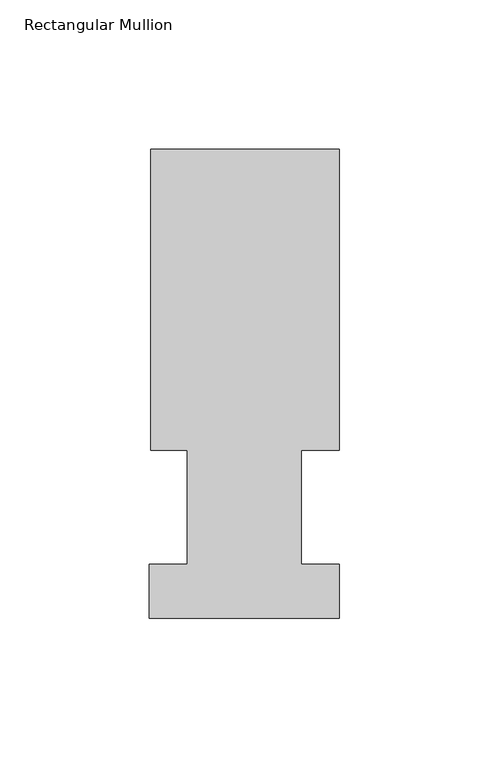
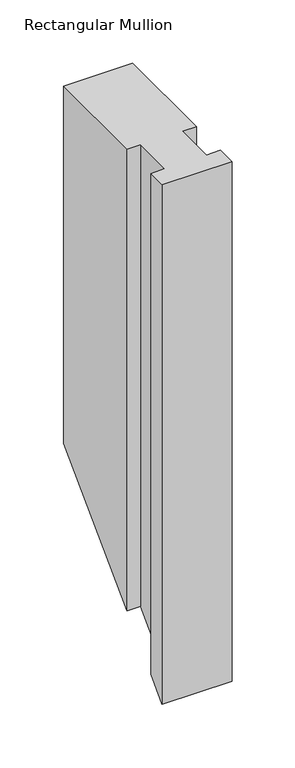
"""IFC4 building model written with IfcOpenShell, lengths in millimetres: member geometry, Rectangular Mullion."""

from ifc_helpers import new_model, si_unit, origin, place, context, project, spatial, faceted_brep, source, transform, mapped, element, save


def rectangular_mullion_8acde7f9(model_context):
    return source(origin(), model_context, "Body", "Brep", [
        faceted_brep([(-63.0936, 56.6539062, 0.0), (-50.8, 56.6539062, 0.0), (-50.8, 18.5539062, 0.0), (-63.5, 18.5539062, 0.0), (-63.5, 0.5199062, 0.0), (0.0, 0.5199062, 0.0), (0.0, 18.5539062, 0.0), (-12.6746, 18.5539062, 0.0), (-12.6746, 56.6539062, 0.0), (0.0, 56.6539063, 0.0), (0.0, 157.3395062, 0.0), (-63.0936, 157.3395062, 0.0), (-63.0936, 56.6539062, -445.4921875), (-50.8, 56.6539062, -445.4921875), (-50.8, 18.5539062, -483.5921875), (-63.5, 18.5539062, -483.5921875), (-63.5, 0.5199062, -501.6261875), (0.0, 0.5199062, -501.6261875), (0.0, 18.5539062, -483.5921875), (-12.6746, 18.5539062, -483.5921875), (-12.6746, 56.6539062, -445.4921875), (0.0, 56.6539063, -445.4921875), (0.0, 157.3395062, -344.8065875), (-63.0936, 157.3395062, -344.8065875)], [[[0, 1, 2, 3, 4, 5, 6, 7, 8, 9, 10, 11]], [[1, 0, 12, 13]], [[2, 1, 13, 14]], [[3, 2, 14, 15]], [[4, 3, 15, 16]], [[5, 4, 16, 17]], [[6, 5, 17, 18]], [[7, 6, 18, 19]], [[8, 7, 19, 20]], [[9, 8, 20, 21]], [[10, 9, 21, 22]], [[11, 10, 22, 23]], [[0, 11, 23, 12]], [[12, 23, 22, 21, 20, 19, 18, 17, 16, 15, 14, 13]]]),
    ])


if __name__ == "__main__":
    model = new_model("IFC4")
    model_context = context("Model", 3, world=origin())
    ifc_project = project(units=[si_unit("LENGTHUNIT", "METRE", prefix="MILLI")], contexts=[model_context])
    site = spatial("IfcSite", under=ifc_project)
    building = spatial("IfcBuilding", under=site)
    placement = place(None, origin())
    rectangular_mullion_shape = rectangular_mullion_8acde7f9(model_context)
    element("IfcMember", 1, ObjectType="Rectangular Mullion", at=placement, inside=building, context=model_context, shape_type="MappedRepresentation", body=[
        mapped(rectangular_mullion_shape, transform((0.0, 0.0, 0.0), x_axis=(1.0, 0.0, 0.0), y_axis=(0.0, 1.0, 0.0), z_axis=(0.0, 0.0, 1.0))),
    ])
    save(model, "model.ifc")
